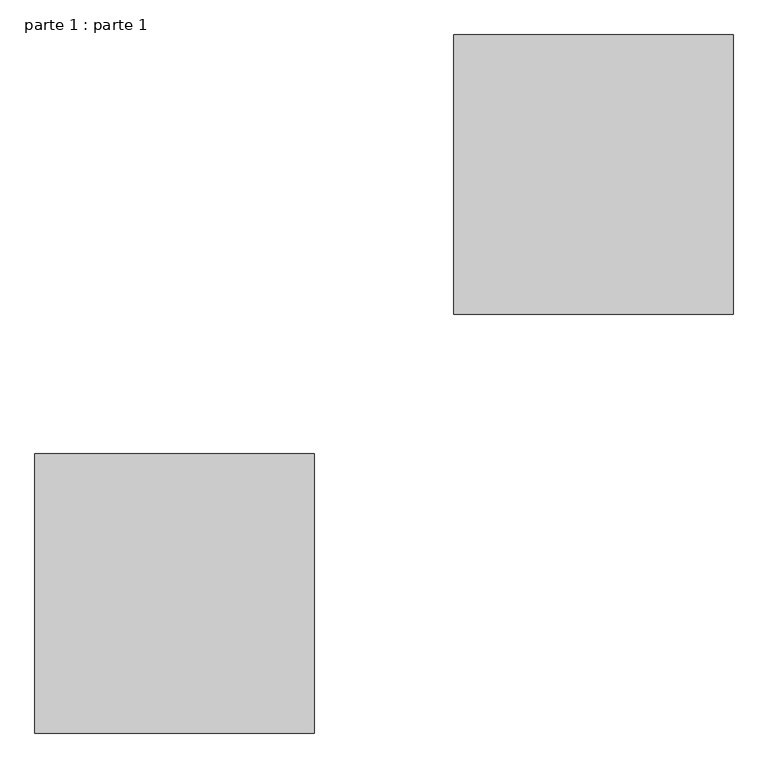
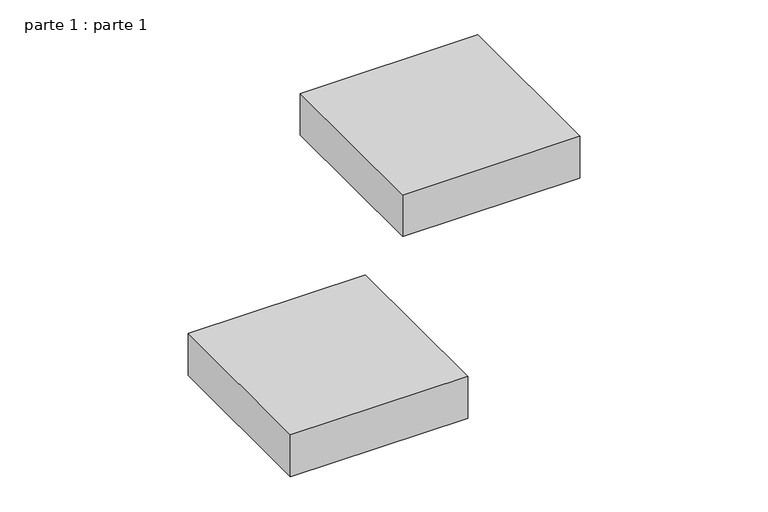
"""IFC4 building model written with IfcOpenShell, lengths in millimetres: proxy geometry, parte 1 : parte 1."""

from ifc_helpers import new_model, si_unit, frame, origin, place, context, project, spatial, polyline, outline, extrude, source, transform, mapped, element, save


def parte_1_parte_1_e6262dde(model_context):
    return source(origin(), model_context, "Body", "SweptSolid", [
        extrude(outline(polyline([(1000.0, 1000.0), (1000.0, 600.0), (600.0, 600.0), (600.0, 1000.0), (1000.0, 1000.0)])), frame((0.0, 0.0, 700.0), z_axis=(0.0, 0.0, 1.0), x_axis=(1.0, 0.0, 0.0)), (0.0, 0.0, 1.0), 100.0),
        extrude(outline(polyline([(400.0, 0.0), (0.0, 0.0), (0.0, 400.0), (400.0, 400.0), (400.0, 0.0)])), frame((0.0, 0.0, 700.0), z_axis=(0.0, 0.0, 1.0), x_axis=(1.0, 0.0, 0.0)), (0.0, 0.0, 1.0), 100.0),
    ])


if __name__ == "__main__":
    model = new_model("IFC4")
    model_context = context("Model", 3, world=origin())
    ifc_project = project(units=[si_unit("LENGTHUNIT", "METRE", prefix="MILLI")], contexts=[model_context])
    site = spatial("IfcSite", under=ifc_project)
    building = spatial("IfcBuilding", under=site)
    placement = place(None, origin())
    parte_1_parte_1_shape = parte_1_parte_1_e6262dde(model_context)
    element("IfcBuildingElementProxy", 1, Name="parte 1 : parte 1", ObjectType="parte 1 : parte 1", at=placement, inside=building, context=model_context, shape_type="MappedRepresentation", body=[
        mapped(parte_1_parte_1_shape, transform((0.0, 0.0, 0.0), x_axis=(1.0, 0.0, 0.0), y_axis=(0.0, 1.0, 0.0), z_axis=(0.0, 0.0, 1.0))),
    ])
    save(model, "model.ifc")
